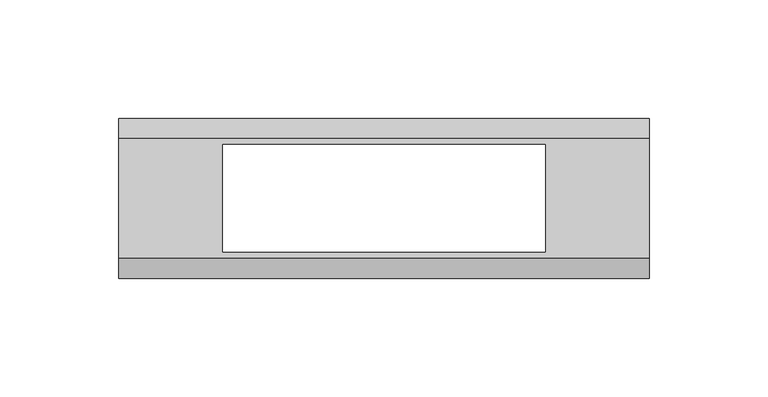
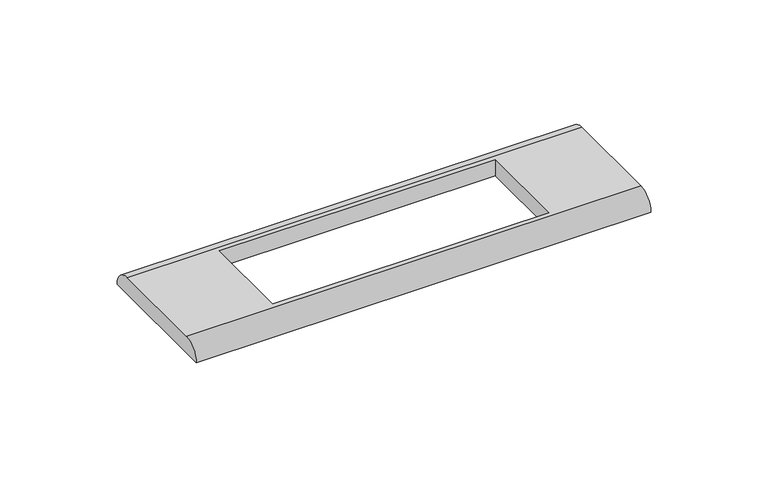
"""IFC4 building model written with IfcOpenShell, lengths in millimetres: proxy geometry."""

from ifc_helpers import new_model, si_unit, frame, origin, place, context, project, spatial, circle_curve, source, transform, mapped, element, save
from ifc_brep_helpers import plane_surface, cylinder_surface, advanced_brep


def electrical_fixtures_0a48f6a4(model_context):
    return source(origin(), model_context, "Body", "AdvancedBrep", [
        advanced_brep(
        [(112.0, 25.25, 8.5), (-112.0, 25.25, 8.5), (-112.0, -25.25, 8.5), (112.0, -25.25, 8.5), (-68.0, 22.75, 8.5), (68.0, 22.75, 8.5), (68.0, -22.75, 8.5), (-68.0, -22.75, 8.5), (112.0, 33.75, 0.0), (112.0, -33.75, 0.0), (-112.0, -33.75, 0.0), (-112.0, 33.75, 0.0), (68.0, 22.75, 0.0), (-68.0, 22.75, 0.0), (-68.0, -22.75, 0.0), (68.0, -22.75, 0.0)],
        [
            (0, 1),
            (1, 2),
            (2, 3),
            (3, 0),
            (4, 5),
            (5, 6),
            (6, 7),
            (7, 4),
            (8, 9),
            (9, 10),
            (10, 11),
            (11, 8),
            (12, 13),
            (13, 14),
            (14, 15),
            (15, 12),
            (10, 2, circle_curve(frame((-112.0, -25.25, 0.0), z_axis=(-1.0, 0.0, 0.0), x_axis=(0.0, 1.0, 0.0)), 8.5)),
            (1, 11, circle_curve(frame((-112.0, 25.25, 0.0), z_axis=(-1.0, 0.0, 0.0), x_axis=(0.0, -1.0, 0.0)), 8.5)),
            (8, 0, circle_curve(frame((112.0, 25.25, 0.0), z_axis=(1.0, 0.0, 0.0), x_axis=(0.0, -1.0, 0.0)), 8.5)),
            (3, 9, circle_curve(frame((112.0, -25.25, 0.0), z_axis=(1.0, 0.0, 0.0), x_axis=(0.0, 1.0, 0.0)), 8.5)),
            (4, 13),
            (12, 5),
            (7, 14),
            (6, 15),
        ],
        [
            plane_surface(frame((-112.0, 48.25, 8.5), z_axis=(0.0, 0.0, 1.0), x_axis=(0.0, -1.0, 0.0))),
            plane_surface(frame((-112.0, 48.25, 0.0), z_axis=(0.0, 0.0, -1.0), x_axis=(0.0, 1.0, 0.0))),
            plane_surface(frame((-112.0, 33.75, 8.5), z_axis=(-1.0, 0.0, 0.0), x_axis=(0.0, 0.0, -1.0))),
            plane_surface(frame((112.0, -33.75, 8.5), z_axis=(1.0, 0.0, 0.0), x_axis=(0.0, 0.0, -1.0))),
            plane_surface(frame((68.0, 22.75, 8.5), z_axis=(0.0, -1.0, 0.0), x_axis=(0.0, 0.0, -1.0))),
            plane_surface(frame((-68.0, 22.75, 8.5), z_axis=(1.0, 0.0, 0.0), x_axis=(0.0, 0.0, -1.0))),
            plane_surface(frame((-68.0, -22.75, 8.5), z_axis=(0.0, 1.0, 0.0), x_axis=(0.0, 0.0, -1.0))),
            plane_surface(frame((68.0, -22.75, 8.5), z_axis=(-1.0, 0.0, 0.0), x_axis=(0.0, 0.0, -1.0))),
            cylinder_surface(frame((112.0, 25.25, 0.0), z_axis=(-1.0, 0.0, 0.0), x_axis=(0.0, -1.0, 0.0)), 8.5),
            cylinder_surface(frame((112.0, -25.25, 0.0), z_axis=(-1.0, 0.0, 0.0), x_axis=(0.0, 1.0, 0.0)), 8.5),
        ],
        [
            (0, [[1, 2, 3, 4], [5, 6, 7, 8]]),
            (1, [[9, 10, 11, 12], [13, 14, 15, 16]]),
            (2, [[-11, 17, -2, 18]]),
            (3, [[-9, 19, -4, 20]]),
            (4, [[21, -13, 22, -5]]),
            (5, [[-21, -8, 23, -14]]),
            (6, [[-23, -7, 24, -15]]),
            (7, [[-22, -16, -24, -6]]),
            (8, [[-1, -19, -12, -18]]),
            (9, [[-3, -17, -10, -20]]),
        ],
    ),
    ])


if __name__ == "__main__":
    model = new_model("IFC4")
    model_context = context("Model", 3, world=origin())
    ifc_project = project(units=[si_unit("LENGTHUNIT", "METRE", prefix="MILLI")], contexts=[model_context])
    site = spatial("IfcSite", under=ifc_project)
    building = spatial("IfcBuilding", under=site)
    placement = place(None, origin())
    electrical_fixtures_shape = electrical_fixtures_0a48f6a4(model_context)
    element("IfcBuildingElementProxy", 1, Name="Electrical Fixtures", at=placement, inside=building, context=model_context, shape_type="MappedRepresentation", body=[
        mapped(electrical_fixtures_shape, transform((0.0, 0.0, 0.0), x_axis=(1.0, 0.0, 0.0), y_axis=(0.0, 1.0, 0.0), z_axis=(0.0, 0.0, 1.0))),
    ])
    save(model, "model.ifc")
